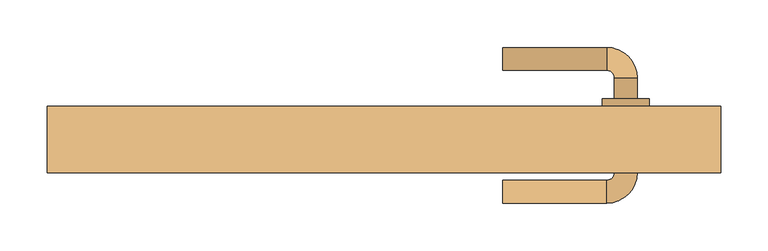
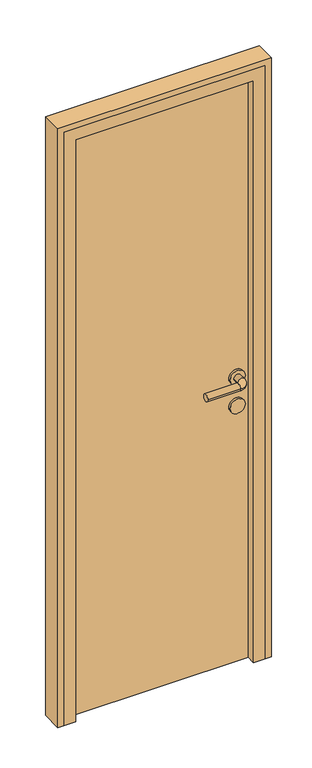
"""IFC4 building model written with IfcOpenShell, lengths in millimetres: door geometry."""

import ifcopenshell
import ifcopenshell.guid

model = None  # the IFC model being written
_history = None  # IfcOwnerHistory: only IFC2X3 demands one
_inside = {}  # id of a spatial element -> (the spatial element, [elements in it])
_under = {}  # id of a project, library or spatial element -> (it, [spatial elements below it])
_declared = {}  # id of a project -> (the project, [libraries it declares])
_typed = {}  # id of a type object -> (the type object, [elements of that type])
_made_of = {}  # id of a material, layer set ... -> (it, [elements and type objects made of it])


def new_model(schema):
    """Start an empty IFC model of exactly this schema.

    Asked for "IFC4X3", IfcOpenShell would pick the latest addendum, in which some entities
    have other attributes; the version numbers below select the first issue.
    IFC2X3 requires an IfcOwnerHistory on every rooted entity: one is made here for all.
    """
    global model, _history
    if schema == "IFC4X3":
        model = ifcopenshell.file(schema_version=(4, 3, 0, 0))
    else:
        model = ifcopenshell.file(schema=schema)
    _inside.clear()
    _under.clear()
    _declared.clear()
    _typed.clear()
    _made_of.clear()
    _history = None
    if model.schema == "IFC2X3":
        org = make("IfcOrganization", Name="unknown")
        user = make(
            "IfcPersonAndOrganization",
            ThePerson=make("IfcPerson", FamilyName="unknown"),
            TheOrganization=org,
        )
        app = make(
            "IfcApplication",
            ApplicationDeveloper=org,
            Version="unknown",
            ApplicationFullName="unknown",
            ApplicationIdentifier="unknown",
        )
        _history = make(
            "IfcOwnerHistory",
            OwningUser=user,
            OwningApplication=app,
            ChangeAction="ADDED",
            CreationDate=0,
        )
    return model


def make(cls, **values):
    """One entity of the class cls with the attributes given. An attribute that is None is left unset."""
    return model.create_entity(
        cls, **{name: value for name, value in values.items() if value is not None}
    )


def rooted(cls, **values):
    """An entity with a GlobalId (a new one), such as an element, a storey or a relation."""
    return make(cls, GlobalId=ifcopenshell.guid.new(), OwnerHistory=_history, **values)


def si_unit(unit_type, name, prefix=None):
    """IfcSIUnit, for example si_unit("LENGTHUNIT", "METRE", prefix="MILLI")."""
    return make("IfcSIUnit", UnitType=unit_type, Prefix=prefix, Name=name)


def assignment(units):
    """IfcUnitAssignment: the units of a project."""
    return None if units is None else make("IfcUnitAssignment", Units=units)


def point(xyz):
    """IfcCartesianPoint."""
    return None if xyz is None else make("IfcCartesianPoint", Coordinates=xyz)


def direction(xyz):
    """IfcDirection."""
    return None if xyz is None else make("IfcDirection", DirectionRatios=xyz)


def frame(location, z_axis=None, x_axis=None):
    """IfcAxis2Placement3D, a coordinate frame: its origin and axes. An axis left out is left unset."""
    return make(
        "IfcAxis2Placement3D",
        Location=point(location),
        Axis=direction(z_axis),
        RefDirection=direction(x_axis),
    )


def frame_2d(location, x_axis=None):
    """IfcAxis2Placement2D, a coordinate frame in the plane: its origin and x axis."""
    return make(
        "IfcAxis2Placement2D", Location=point(location), RefDirection=direction(x_axis)
    )


def origin():
    """The frame at (0, 0, 0) with its axes left unset."""
    return frame((0.0, 0.0, 0.0))


def origin_with_axes():
    """The frame at (0, 0, 0) with the z axis (0, 0, 1) and the x axis (1, 0, 0) written out."""
    return frame((0.0, 0.0, 0.0), z_axis=(0.0, 0.0, 1.0), x_axis=(1.0, 0.0, 0.0))


def place(relative_to, where):
    """IfcLocalPlacement: puts the frame where relative to a parent placement (None: the world)."""
    return make(
        "IfcLocalPlacement", PlacementRelTo=relative_to, RelativePlacement=where
    )


def context(
    kind, dimensions, precision=None, world=None, true_north=None, identifier=None
):
    """IfcGeometricRepresentationContext, for example the 3D "Model" context."""
    return make(
        "IfcGeometricRepresentationContext",
        ContextIdentifier=identifier,
        ContextType=kind,
        CoordinateSpaceDimension=dimensions,
        Precision=precision,
        WorldCoordinateSystem=world,
        TrueNorth=true_north,
    )


def project(units=None, contexts=None):
    """IfcProject with its units and contexts."""
    return rooted(
        "IfcProject",
        Name="project",
        RepresentationContexts=contexts,
        UnitsInContext=assignment(units),
    )


def spatial(cls, under=None, at=None, **own):
    """A site, building, storey or space (cls), placed at a placement, below another one or the project."""
    s = rooted(cls, ObjectPlacement=at, **own)
    if under is not None:
        _under.setdefault(under.id(), (under, []))[1].append(s)
    return s


def polyline(points):
    """IfcPolyline through the points."""
    return make("IfcPolyline", Points=[point(p) for p in points])


def circle_curve(where, radius):
    """IfcCircle in the frame where."""
    return make("IfcCircle", Position=where, Radius=radius)


def ellipse_curve(where, semi_axis1, semi_axis2):
    """IfcEllipse in the frame where."""
    return make(
        "IfcEllipse", Position=where, SemiAxis1=semi_axis1, SemiAxis2=semi_axis2
    )


def trimmed(basis, trim1, trim2, sense, master):
    """IfcTrimmedCurve: the piece of a basis curve between two trims."""
    return make(
        "IfcTrimmedCurve",
        BasisCurve=basis,
        Trim1=trim1,
        Trim2=trim2,
        SenseAgreement=sense,
        MasterRepresentation=master,
    )


def segment(curve, same_sense, transition):
    """IfcCompositeCurveSegment."""
    return make(
        "IfcCompositeCurveSegment",
        Transition=transition,
        SameSense=same_sense,
        ParentCurve=curve,
    )


def composite_curve(segments, self_intersect=None):
    """IfcCompositeCurve: segments joined end to end."""
    return make("IfcCompositeCurve", Segments=segments, SelfIntersect=self_intersect)


def outline(outer, holes=None, kind="AREA"):
    """IfcArbitraryClosedProfileDef: a profile drawn as a closed curve; with holes, ...WithVoids."""
    if holes is None:
        return make("IfcArbitraryClosedProfileDef", ProfileType=kind, OuterCurve=outer)
    return make(
        "IfcArbitraryProfileDefWithVoids",
        ProfileType=kind,
        OuterCurve=outer,
        InnerCurves=holes,
    )


def extrude(swept, where, along, depth):
    """IfcExtrudedAreaSolid: the profile swept, set in the frame where, extruded along a direction by depth."""
    return make(
        "IfcExtrudedAreaSolid",
        SweptArea=swept,
        Position=where,
        ExtrudedDirection=direction(along),
        Depth=depth,
    )


def faces_of(points, faces, orient=None, outer=None):
    """IfcFace entities. A face is a list of loops; a loop is a list of indices into points, from 0.

    orient and outer hold one flag for each loop. By default every Orientation is true, the
    first loop of a face is its IfcFaceOuterBound and the others are IfcFaceBound.
    """
    made = []
    for i, loops in enumerate(faces):
        bounds = []
        for j, loop in enumerate(loops):
            is_outer = j == 0 if outer is None else outer[i][j]
            bounds.append(
                make(
                    "IfcFaceOuterBound" if is_outer else "IfcFaceBound",
                    Bound=make("IfcPolyLoop", Polygon=[points[k] for k in loop]),
                    Orientation=True if orient is None else orient[i][j],
                )
            )
        made.append(make("IfcFace", Bounds=bounds))
    return made


def faceted_brep(points, faces, orient=None, outer=None, voids=None):
    """IfcFacetedBrep: a solid bounded by flat faces; with voids (closed shells), ...WithVoids."""
    shared = [point(p) for p in points]
    hull = make("IfcClosedShell", CfsFaces=faces_of(shared, faces, orient, outer))
    if voids is None:
        return make("IfcFacetedBrep", Outer=hull)
    return make(
        "IfcFacetedBrepWithVoids",
        Outer=hull,
        Voids=[
            make(cls, CfsFaces=faces_of(shared, fs, o, b)) for cls, fs, o, b in voids
        ],
    )


def shape(context_of_items, identifier, shape_type, items):
    """IfcShapeRepresentation: the items that make up one representation, for example the "Body"."""
    return make(
        "IfcShapeRepresentation",
        ContextOfItems=context_of_items,
        RepresentationIdentifier=identifier,
        RepresentationType=shape_type,
        Items=items,
    )


def source(mapping_origin, context_of_items, identifier, shape_type, items):
    """IfcRepresentationMap: a shape defined once, which mapped items show again and again."""
    return make(
        "IfcRepresentationMap",
        MappingOrigin=mapping_origin,
        MappedRepresentation=shape(context_of_items, identifier, shape_type, items),
    )


def transform(
    local_origin,
    x_axis=None,
    y_axis=None,
    z_axis=None,
    scale=None,
    scale2=None,
    scale3=None,
    uniform=True,
):
    """IfcCartesianTransformationOperator3D, or its non-uniform kind. x_axis, y_axis, z_axis: its Axis1, 2, 3."""
    if uniform:
        return make(
            "IfcCartesianTransformationOperator3D",
            Axis1=direction(x_axis),
            Axis2=direction(y_axis),
            LocalOrigin=point(local_origin),
            Scale=scale,
            Axis3=direction(z_axis),
        )
    return make(
        "IfcCartesianTransformationOperator3DnonUniform",
        Axis1=direction(x_axis),
        Axis2=direction(y_axis),
        LocalOrigin=point(local_origin),
        Scale=scale,
        Axis3=direction(z_axis),
        Scale2=scale2,
        Scale3=scale3,
    )


def mapped(mapping_source, mapping_target):
    """IfcMappedItem: shows the shape of a source again, moved by a transform."""
    return make(
        "IfcMappedItem", MappingSource=mapping_source, MappingTarget=mapping_target
    )


def made_of(thing, what):
    """Note that an element or type object is made of a material, layer set ...; save() writes the relation."""
    if what is not None:
        _made_of.setdefault(what.id(), (what, []))[1].append(thing)
    return thing


def element(
    cls,
    number,
    at=None,
    inside=None,
    cuts=None,
    type_object=None,
    material=None,
    context=None,
    identifier="Body",
    shape_type=None,
    held_by="IfcProductDefinitionShape",
    body=None,
    shapes=None,
    **own,
):
    """One element of the class cls, such as IfcWall. Its Tag is "e" and its number.

    at: its placement. inside: the storey or other place that contains it. cuts: it is an
    opening in that element (IfcRelVoidsElement). A single representation is given by context,
    identifier, shape_type and body (its items); several are given by shapes. held_by: the class
    of the entity that holds the representations. save() writes the other relations.
    """
    e = rooted(cls, Tag="e%d" % number, ObjectPlacement=at, **own)
    if body is not None:
        shapes = [shape(context, identifier, shape_type, body)]
    if shapes is not None:
        e.Representation = make(held_by, Representations=shapes)
    if inside is not None:
        _inside.setdefault(inside.id(), (inside, []))[1].append(e)
    if cuts is not None:
        rooted(
            "IfcRelVoidsElement", RelatingBuildingElement=cuts, RelatedOpeningElement=e
        )
    if type_object is not None:
        _typed.setdefault(type_object.id(), (type_object, []))[1].append(e)
    return made_of(e, material)


def aggregate(whole, parts):
    """IfcRelAggregates: a whole, such as a stair, and the parts it consists of."""
    return rooted("IfcRelAggregates", RelatingObject=whole, RelatedObjects=parts)


def save(model, path):
    """Write the relations noted so far, then the file.

    IfcRelAggregates (storeys below a building ...), IfcRelContainedInSpatialStructure (elements
    in a storey), IfcRelDefinesByType, IfcRelAssociatesMaterial and IfcRelDeclares: one each for
    every whole, place, type object, material and project.
    """
    for whole, parts in _under.values():
        aggregate(whole, parts)
    for where, things in _inside.values():
        rooted(
            "IfcRelContainedInSpatialStructure",
            RelatedElements=things,
            RelatingStructure=where,
        )
    for kind, things in _typed.values():
        rooted("IfcRelDefinesByType", RelatedObjects=things, RelatingType=kind)
    for what, things in _made_of.values():
        rooted("IfcRelAssociatesMaterial", RelatedObjects=things, RelatingMaterial=what)
    for by, libraries in _declared.values():
        rooted("IfcRelDeclares", RelatingContext=by, RelatedDefinitions=libraries)
    model.write(path)


def plane_surface(at):
    """IfcPlane: the flat surface through the origin of the frame at, square to its z axis."""
    return make("IfcPlane", Position=at)


def cylinder_surface(at, radius):
    """IfcCylindricalSurface: all points at the distance radius from the z axis of the frame at."""
    return make("IfcCylindricalSurface", Position=at, Radius=radius)


def revolved_surface(curve, axis_point, axis_direction):
    """IfcSurfaceOfRevolution: the curve turned about the line through axis_point along axis_direction."""
    return make(
        "IfcSurfaceOfRevolution",
        SweptCurve=make("IfcArbitraryOpenProfileDef", ProfileType="CURVE", Curve=curve),
        AxisPosition=make("IfcAxis1Placement", Location=point(axis_point), Axis=direction(axis_direction)),
    )


def advanced_brep(points, edges, surfaces, faces):
    """IfcAdvancedBrep: a solid bounded by faces that lie on surfaces and meet in shared edges.

    An edge is (start, end): straight between two places in points (the first is 0);
    or (start, end, curve); or (start, end, curve, False) where it runs against its curve.
    A face is (place in surfaces, loops), or (place, loops, False) where it looks against
    its surface's normal. A loop lists edges by number (the first is 1), with a minus sign
    where the edge is run from its end to its start. The first loop is the outer one.
    """
    corners = [point(p) for p in points]
    vertices = [make("IfcVertexPoint", VertexGeometry=c) for c in corners]
    made = []
    for start, end, *more in edges:
        made.append(
            make(
                "IfcEdgeCurve",
                EdgeStart=vertices[start],
                EdgeEnd=vertices[end],
                EdgeGeometry=more[0] if more else make("IfcPolyline", Points=[corners[start], corners[end]]),
                SameSense=more[1] if len(more) > 1 else True,
            )
        )
    hull = []
    for where, loops, *sense in faces:
        bounds = []
        for j, loop in enumerate(loops):
            ring = [make("IfcOrientedEdge", EdgeElement=made[abs(k) - 1], Orientation=k > 0) for k in loop]
            bounds.append(
                make(
                    "IfcFaceOuterBound" if j == 0 else "IfcFaceBound",
                    Bound=make("IfcEdgeLoop", EdgeList=ring),
                    Orientation=True,
                )
            )
        hull.append(make("IfcAdvancedFace", Bounds=bounds, FaceSurface=surfaces[where], SameSense=sense[0] if sense else True))
    return make("IfcAdvancedBrep", Outer=make("IfcClosedShell", CfsFaces=hull))


def door_915ae270(model_context):
    return source(origin(), model_context, "Body", "SolidModel", [
        advanced_brep(
        [(125.0, 122.0, 1000.0), (125.0, 98.0, 1000.0), (235.0, 98.0, 1000.0), (235.0, 122.0, 1000.0), (243.0, 90.0, 1000.0), (267.0, 90.0, 1000.0), (267.0, -10.0, 1000.0), (267.0, 12.0, 1000.0), (243.0, 12.0, 1000.0), (243.0, -10.0, 1000.0), (243.0, 68.0, 1000.0), (267.0, 68.0, 1000.0), (235.0, -18.0, 1000.0), (235.0, -42.0, 1000.0), (125.0, -42.0, 1000.0), (125.0, -18.0, 1000.0), (230.0, 12.0, 1000.0), (280.0, 12.0, 1000.0), (230.0, 68.0, 1000.0), (280.0, 68.0, 1000.0)],
        [
            (0, 1, circle_curve(frame((125.0, 110.0, 1000.0), z_axis=(-1.0, 0.0, 0.0), x_axis=(0.0, -1.0, 0.0)), 12.0)),
            (1, 0, circle_curve(frame((125.0, 110.0, 1000.0), z_axis=(-1.0, 0.0, 0.0), x_axis=(0.0, -1.0, 0.0)), 12.0)),
            (1, 2),
            (2, 3, circle_curve(frame((235.0, 110.0, 1000.0), z_axis=(-1.0, 0.0, 0.0), x_axis=(0.0, -1.0, 0.0)), 12.0)),
            (3, 0),
            (3, 2, circle_curve(frame((235.0, 110.0, 1000.0), z_axis=(-1.0, 0.0, 0.0), x_axis=(0.0, -1.0, 0.0)), 12.0)),
            (2, 4, circle_curve(frame((235.0, 90.0, 1000.0), z_axis=(0.0, 0.0, -1.0), x_axis=(0.0, 1.0, 0.0)), 8.0)),
            (4, 5, circle_curve(frame((255.0, 90.0, 1000.0), z_axis=(0.0, 1.0, 0.0), x_axis=(-1.0, 0.0, 0.0)), 12.0)),
            (5, 3, circle_curve(frame((235.0, 90.0, 1000.0), z_axis=(0.0, 0.0, 1.0), x_axis=(0.0, 1.0, 0.0)), 32.0)),
            (5, 4, circle_curve(frame((255.0, 90.0, 1000.0), z_axis=(0.0, 1.0, 0.0), x_axis=(-1.0, 0.0, 0.0)), 12.0)),
            (6, 7),
            (7, 8, circle_curve(frame((255.0, 12.0, 1000.0), z_axis=(0.0, -1.0, 0.0), x_axis=(-1.0, 0.0, 0.0)), 12.0)),
            (8, 9),
            (9, 6, circle_curve(frame((255.0, -10.0, 1000.0), z_axis=(0.0, 1.0, 0.0), x_axis=(-1.0, 0.0, 0.0)), 12.0)),
            (4, 10),
            (10, 11, circle_curve(frame((255.0, 68.0, 1000.0), z_axis=(0.0, 1.0, 0.0), x_axis=(-1.0, 0.0, 0.0)), 12.0)),
            (11, 5),
            (11, 10, circle_curve(frame((255.0, 68.0, 1000.0), z_axis=(0.0, 1.0, 0.0), x_axis=(-1.0, 0.0, 0.0)), 12.0)),
            (8, 7, circle_curve(frame((255.0, 12.0, 1000.0), z_axis=(0.0, -1.0, 0.0), x_axis=(-1.0, 0.0, 0.0)), 12.0)),
            (6, 9, circle_curve(frame((255.0, -10.0, 1000.0), z_axis=(0.0, 1.0, 0.0), x_axis=(-1.0, 0.0, 0.0)), 12.0)),
            (9, 12, circle_curve(frame((235.0, -10.0, 1000.0), z_axis=(0.0, 0.0, -1.0), x_axis=(1.0, 0.0, 0.0)), 8.0)),
            (12, 13, circle_curve(frame((235.0, -30.0, 1000.0), z_axis=(1.0, 0.0, 0.0), x_axis=(0.0, 1.0, 0.0)), 12.0)),
            (13, 6, circle_curve(frame((235.0, -10.0, 1000.0), z_axis=(0.0, 0.0, 1.0), x_axis=(1.0, 0.0, 0.0)), 32.0)),
            (13, 12, circle_curve(frame((235.0, -30.0, 1000.0), z_axis=(1.0, 0.0, 0.0), x_axis=(0.0, 1.0, 0.0)), 12.0)),
            (14, 15, circle_curve(frame((125.0, -30.0, 1000.0), z_axis=(-1.0, 0.0, 0.0), x_axis=(0.0, 1.0, 0.0)), 12.0)),
            (15, 14, circle_curve(frame((125.0, -30.0, 1000.0), z_axis=(-1.0, 0.0, 0.0), x_axis=(0.0, 1.0, 0.0)), 12.0)),
            (12, 15),
            (14, 13),
            (16, 17, circle_curve(frame((255.0, 12.0, 1000.0), z_axis=(0.0, -1.0, 0.0), x_axis=(1.0, 0.0, 0.0)), 25.0)),
            (17, 16, circle_curve(frame((255.0, 12.0, 1000.0), z_axis=(0.0, -1.0, 0.0), x_axis=(1.0, 0.0, 0.0)), 25.0)),
            (18, 19, circle_curve(frame((255.0, 68.0, 1000.0), z_axis=(0.0, 1.0, 0.0), x_axis=(1.0, 0.0, 0.0)), 25.0)),
            (19, 18, circle_curve(frame((255.0, 68.0, 1000.0), z_axis=(0.0, 1.0, 0.0), x_axis=(1.0, 0.0, 0.0)), 25.0)),
            (17, 19),
            (18, 16),
        ],
        [
            plane_surface(frame((125.0, 110.0, 1000.0), z_axis=(-1.0, 0.0, 0.0), x_axis=(0.0, 0.0, 1.0))),
            cylinder_surface(frame((125.0, 110.0, 1000.0), z_axis=(-1.0, 0.0, 0.0), x_axis=(0.0, -1.0, 0.0)), 12.0),
            revolved_surface(trimmed(ellipse_curve(frame((235.0, 110.0, 1000.0), z_axis=(1.0, 0.0, 0.0), x_axis=(0.0, -1.0, 0.0)), 12.0, 12.0), [point((235.0, 122.0, 1000.0))], [point((235.0, 98.0, 1000.0))], True, "CARTESIAN"), (235.0, 90.0, 1000.0), (0.0, 0.0, 1.0)),
            revolved_surface(trimmed(ellipse_curve(frame((235.0, 110.0, 1000.0), z_axis=(1.0, 0.0, 0.0), x_axis=(0.0, -1.0, 0.0)), 12.0, 12.0), [point((235.0, 98.0, 1000.0))], [point((235.0, 122.0, 1000.0))], True, "CARTESIAN"), (235.0, 90.0, 1000.0), (0.0, 0.0, 1.0)),
            cylinder_surface(frame((255.0, 90.0, 1000.0), z_axis=(0.0, 1.0, 0.0), x_axis=(-1.0, 0.0, 0.0)), 12.0),
            revolved_surface(trimmed(ellipse_curve(frame((255.0, -10.0, 1000.0), z_axis=(0.0, -1.0, 0.0), x_axis=(-1.0, 0.0, 0.0)), 12.0, 12.0), [point((267.0, -10.0, 1000.0))], [point((243.0, -10.0, 1000.0))], True, "CARTESIAN"), (235.0, -10.0, 1000.0), (0.0, 0.0, 1.0)),
            revolved_surface(trimmed(ellipse_curve(frame((255.0, -10.0, 1000.0), z_axis=(0.0, -1.0, 0.0), x_axis=(-1.0, 0.0, 0.0)), 12.0, 12.0), [point((243.0, -10.0, 1000.0))], [point((267.0, -10.0, 1000.0))], True, "CARTESIAN"), (235.0, -10.0, 1000.0), (0.0, 0.0, 1.0)),
            plane_surface(frame((125.0, -30.0, 1000.0), z_axis=(-1.0, 0.0, 0.0), x_axis=(0.0, 0.0, 1.0))),
            cylinder_surface(frame((235.0, -30.0, 1000.0), z_axis=(1.0, 0.0, 0.0), x_axis=(0.0, 1.0, 0.0)), 12.0),
            plane_surface(frame((280.0, 12.0, 1000.0), z_axis=(0.0, -1.0, 0.0), x_axis=(0.0, 0.0, -1.0))),
            plane_surface(frame((280.0, 68.0, 1000.0), z_axis=(0.0, 1.0, 0.0), x_axis=(0.0, 0.0, 1.0))),
            cylinder_surface(frame((255.0, 12.0, 1000.0), z_axis=(0.0, 1.0, 0.0), x_axis=(1.0, 0.0, 0.0)), 25.0),
        ],
        [
            (0, [[1, 2]]),
            (1, [[3, 4, 5, -2]]),
            (1, [[-5, 6, -3, -1]]),
            (2, [[7, 8, 9, -4]]),
            (3, [[-9, 10, -7, -6]]),
            (4, [[11, 12, 13, 14]]),
            (4, [[15, 16, 17, -8]]),
            (4, [[-17, 18, -15, -10]]),
            (4, [[-13, 19, -11, 20]]),
            (5, [[21, 22, 23, -14]]),
            (6, [[-23, 24, -21, -20]]),
            (7, [[25, 26]]),
            (8, [[27, -25, 28, -22]]),
            (8, [[-28, -26, -27, -24]]),
            (9, [[29, 30], [-19, -12]]),
            (10, [[31, 32], [-18, -16]]),
            (11, [[33, -31, 34, -30]]),
            (11, [[-34, -32, -33, -29]]),
        ],
    ),
        extrude(outline(composite_curve([segment(trimmed(circle_curve(frame_2d((900.0, 255.0)), 25.0), [point((900.0, 230.0))], [point((900.0, 280.0))], False, "CARTESIAN"), True, "CONTINUOUS"), segment(trimmed(circle_curve(frame_2d((900.0, 255.0)), 25.0), [point((900.0, 280.0))], [point((900.0, 230.0))], False, "CARTESIAN"), True, "CONTINUOUS")], self_intersect=False)), frame((0.0, 12.0, 0.0), z_axis=(0.0, 1.0, 0.0), x_axis=(0.0, 0.0, 1.0)), (0.0, 0.0, 1.0), 56.0),
        extrude(outline(polyline([(305.0, 20.0), (-305.0, 20.0), (-305.0, 60.0), (305.0, 60.0), (305.0, 20.0)])), origin_with_axes(), (0.0, 0.0, 1.0), 2050.0),
        extrude(outline(polyline([(0.0, 355.0), (2100.0, 355.0), (2100.0, -355.0), (0.0, -355.0), (0.0, -335.0), (2080.0, -335.0), (2080.0, 335.0), (0.0, 335.0), (0.0, 355.0)])), frame((0.0, -10.0, 0.0), z_axis=(0.0, 1.0, 0.0), x_axis=(0.0, 0.0, 1.0)), (0.0, 0.0, 1.0), 70.0),
        faceted_brep([(-335.0, -10.0, 0.0), (-335.0, 60.0, 0.0), (-305.0, 60.0, 0.0), (-305.0, 20.0, 0.0), (-295.0, 20.0, 0.0), (-295.0, -10.0, 0.0), (-335.0, -10.0, 2080.0), (-335.0, 60.0, 2080.0), (335.0, 60.0, 2080.0), (335.0, 60.0, 0.0), (305.0, 60.0, 0.0), (305.0, 60.0, 2050.0), (-305.0, 60.0, 2050.0), (-305.0, 20.0, 2050.0), (305.0, 20.0, 2050.0), (305.0, 20.0, 0.0), (295.0, 20.0, 0.0), (295.0, 20.0, 2040.0), (-295.0, 20.0, 2040.0), (-295.0, -10.0, 2040.0), (295.0, -10.0, 2040.0), (295.0, -10.0, 0.0), (335.0, -10.0, 0.0), (335.0, -10.0, 2080.0)], [[[0, 1, 2, 3, 4, 5]], [[1, 0, 6, 7]], [[2, 1, 7, 8, 9, 10, 11, 12]], [[3, 2, 12, 13]], [[4, 3, 13, 14, 15, 16, 17, 18]], [[5, 4, 18, 19]], [[0, 5, 19, 20, 21, 22, 23, 6]], [[7, 6, 23, 8]], [[13, 12, 11, 14]], [[19, 18, 17, 20]], [[22, 21, 16, 15, 10, 9]], [[8, 23, 22, 9]], [[14, 11, 10, 15]], [[20, 17, 16, 21]]]),
    ])


if __name__ == "__main__":
    model = new_model("IFC4")
    model_context = context("Model", 3, world=origin())
    ifc_project = project(units=[si_unit("LENGTHUNIT", "METRE", prefix="MILLI")], contexts=[model_context])
    site = spatial("IfcSite", under=ifc_project)
    building = spatial("IfcBuilding", under=site)
    placement = place(None, origin())
    door_shape = door_915ae270(model_context)
    element("IfcDoor", 1, at=placement, inside=building, context=model_context, shape_type="MappedRepresentation", body=[
        mapped(door_shape, transform((0.0, 0.0, 0.0), x_axis=(1.0, 0.0, 0.0), y_axis=(0.0, 1.0, 0.0), z_axis=(0.0, 0.0, 1.0))),
    ])
    save(model, "model.ifc")
